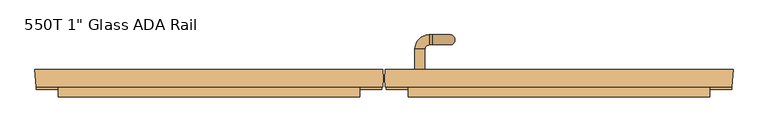
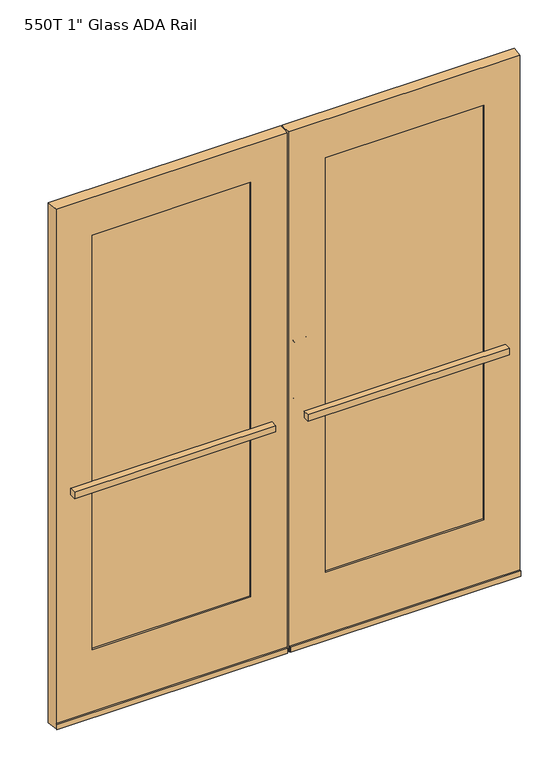
"""IFC4 building model written with IfcOpenShell, lengths in millimetres: door geometry."""

import ifcopenshell
import ifcopenshell.guid

model = None  # the IFC model being written
_history = None  # IfcOwnerHistory: only IFC2X3 demands one
_inside = {}  # id of a spatial element -> (the spatial element, [elements in it])
_under = {}  # id of a project, library or spatial element -> (it, [spatial elements below it])
_declared = {}  # id of a project -> (the project, [libraries it declares])
_typed = {}  # id of a type object -> (the type object, [elements of that type])
_made_of = {}  # id of a material, layer set ... -> (it, [elements and type objects made of it])


def new_model(schema):
    """Start an empty IFC model of exactly this schema.

    Asked for "IFC4X3", IfcOpenShell would pick the latest addendum, in which some entities
    have other attributes; the version numbers below select the first issue.
    IFC2X3 requires an IfcOwnerHistory on every rooted entity: one is made here for all.
    """
    global model, _history
    if schema == "IFC4X3":
        model = ifcopenshell.file(schema_version=(4, 3, 0, 0))
    else:
        model = ifcopenshell.file(schema=schema)
    _inside.clear()
    _under.clear()
    _declared.clear()
    _typed.clear()
    _made_of.clear()
    _history = None
    if model.schema == "IFC2X3":
        org = make("IfcOrganization", Name="unknown")
        user = make(
            "IfcPersonAndOrganization",
            ThePerson=make("IfcPerson", FamilyName="unknown"),
            TheOrganization=org,
        )
        app = make(
            "IfcApplication",
            ApplicationDeveloper=org,
            Version="unknown",
            ApplicationFullName="unknown",
            ApplicationIdentifier="unknown",
        )
        _history = make(
            "IfcOwnerHistory",
            OwningUser=user,
            OwningApplication=app,
            ChangeAction="ADDED",
            CreationDate=0,
        )
    return model


def make(cls, **values):
    """One entity of the class cls with the attributes given. An attribute that is None is left unset."""
    return model.create_entity(
        cls, **{name: value for name, value in values.items() if value is not None}
    )


def rooted(cls, **values):
    """An entity with a GlobalId (a new one), such as an element, a storey or a relation."""
    return make(cls, GlobalId=ifcopenshell.guid.new(), OwnerHistory=_history, **values)


def si_unit(unit_type, name, prefix=None):
    """IfcSIUnit, for example si_unit("LENGTHUNIT", "METRE", prefix="MILLI")."""
    return make("IfcSIUnit", UnitType=unit_type, Prefix=prefix, Name=name)


def assignment(units):
    """IfcUnitAssignment: the units of a project."""
    return None if units is None else make("IfcUnitAssignment", Units=units)


def point(xyz):
    """IfcCartesianPoint."""
    return None if xyz is None else make("IfcCartesianPoint", Coordinates=xyz)


def direction(xyz):
    """IfcDirection."""
    return None if xyz is None else make("IfcDirection", DirectionRatios=xyz)


def frame(location, z_axis=None, x_axis=None):
    """IfcAxis2Placement3D, a coordinate frame: its origin and axes. An axis left out is left unset."""
    return make(
        "IfcAxis2Placement3D",
        Location=point(location),
        Axis=direction(z_axis),
        RefDirection=direction(x_axis),
    )


def origin():
    """The frame at (0, 0, 0) with its axes left unset."""
    return frame((0.0, 0.0, 0.0))


def place(relative_to, where):
    """IfcLocalPlacement: puts the frame where relative to a parent placement (None: the world)."""
    return make(
        "IfcLocalPlacement", PlacementRelTo=relative_to, RelativePlacement=where
    )


def context(
    kind, dimensions, precision=None, world=None, true_north=None, identifier=None
):
    """IfcGeometricRepresentationContext, for example the 3D "Model" context."""
    return make(
        "IfcGeometricRepresentationContext",
        ContextIdentifier=identifier,
        ContextType=kind,
        CoordinateSpaceDimension=dimensions,
        Precision=precision,
        WorldCoordinateSystem=world,
        TrueNorth=true_north,
    )


def project(units=None, contexts=None):
    """IfcProject with its units and contexts."""
    return rooted(
        "IfcProject",
        Name="project",
        RepresentationContexts=contexts,
        UnitsInContext=assignment(units),
    )


def spatial(cls, under=None, at=None, **own):
    """A site, building, storey or space (cls), placed at a placement, below another one or the project."""
    s = rooted(cls, ObjectPlacement=at, **own)
    if under is not None:
        _under.setdefault(under.id(), (under, []))[1].append(s)
    return s


def polyline(points):
    """IfcPolyline through the points."""
    return make("IfcPolyline", Points=[point(p) for p in points])


def circle_curve(where, radius):
    """IfcCircle in the frame where."""
    return make("IfcCircle", Position=where, Radius=radius)


def ellipse_curve(where, semi_axis1, semi_axis2):
    """IfcEllipse in the frame where."""
    return make(
        "IfcEllipse", Position=where, SemiAxis1=semi_axis1, SemiAxis2=semi_axis2
    )


def trimmed(basis, trim1, trim2, sense, master):
    """IfcTrimmedCurve: the piece of a basis curve between two trims."""
    return make(
        "IfcTrimmedCurve",
        BasisCurve=basis,
        Trim1=trim1,
        Trim2=trim2,
        SenseAgreement=sense,
        MasterRepresentation=master,
    )


def outline(outer, holes=None, kind="AREA"):
    """IfcArbitraryClosedProfileDef: a profile drawn as a closed curve; with holes, ...WithVoids."""
    if holes is None:
        return make("IfcArbitraryClosedProfileDef", ProfileType=kind, OuterCurve=outer)
    return make(
        "IfcArbitraryProfileDefWithVoids",
        ProfileType=kind,
        OuterCurve=outer,
        InnerCurves=holes,
    )


def extrude(swept, where, along, depth):
    """IfcExtrudedAreaSolid: the profile swept, set in the frame where, extruded along a direction by depth."""
    return make(
        "IfcExtrudedAreaSolid",
        SweptArea=swept,
        Position=where,
        ExtrudedDirection=direction(along),
        Depth=depth,
    )


def shape(context_of_items, identifier, shape_type, items):
    """IfcShapeRepresentation: the items that make up one representation, for example the "Body"."""
    return make(
        "IfcShapeRepresentation",
        ContextOfItems=context_of_items,
        RepresentationIdentifier=identifier,
        RepresentationType=shape_type,
        Items=items,
    )


def source(mapping_origin, context_of_items, identifier, shape_type, items):
    """IfcRepresentationMap: a shape defined once, which mapped items show again and again."""
    return make(
        "IfcRepresentationMap",
        MappingOrigin=mapping_origin,
        MappedRepresentation=shape(context_of_items, identifier, shape_type, items),
    )


def transform(
    local_origin,
    x_axis=None,
    y_axis=None,
    z_axis=None,
    scale=None,
    scale2=None,
    scale3=None,
    uniform=True,
):
    """IfcCartesianTransformationOperator3D, or its non-uniform kind. x_axis, y_axis, z_axis: its Axis1, 2, 3."""
    if uniform:
        return make(
            "IfcCartesianTransformationOperator3D",
            Axis1=direction(x_axis),
            Axis2=direction(y_axis),
            LocalOrigin=point(local_origin),
            Scale=scale,
            Axis3=direction(z_axis),
        )
    return make(
        "IfcCartesianTransformationOperator3DnonUniform",
        Axis1=direction(x_axis),
        Axis2=direction(y_axis),
        LocalOrigin=point(local_origin),
        Scale=scale,
        Axis3=direction(z_axis),
        Scale2=scale2,
        Scale3=scale3,
    )


def mapped(mapping_source, mapping_target):
    """IfcMappedItem: shows the shape of a source again, moved by a transform."""
    return make(
        "IfcMappedItem", MappingSource=mapping_source, MappingTarget=mapping_target
    )


def made_of(thing, what):
    """Note that an element or type object is made of a material, layer set ...; save() writes the relation."""
    if what is not None:
        _made_of.setdefault(what.id(), (what, []))[1].append(thing)
    return thing


def element(
    cls,
    number,
    at=None,
    inside=None,
    cuts=None,
    type_object=None,
    material=None,
    context=None,
    identifier="Body",
    shape_type=None,
    held_by="IfcProductDefinitionShape",
    body=None,
    shapes=None,
    **own,
):
    """One element of the class cls, such as IfcWall. Its Tag is "e" and its number.

    at: its placement. inside: the storey or other place that contains it. cuts: it is an
    opening in that element (IfcRelVoidsElement). A single representation is given by context,
    identifier, shape_type and body (its items); several are given by shapes. held_by: the class
    of the entity that holds the representations. save() writes the other relations.
    """
    e = rooted(cls, Tag="e%d" % number, ObjectPlacement=at, **own)
    if body is not None:
        shapes = [shape(context, identifier, shape_type, body)]
    if shapes is not None:
        e.Representation = make(held_by, Representations=shapes)
    if inside is not None:
        _inside.setdefault(inside.id(), (inside, []))[1].append(e)
    if cuts is not None:
        rooted(
            "IfcRelVoidsElement", RelatingBuildingElement=cuts, RelatedOpeningElement=e
        )
    if type_object is not None:
        _typed.setdefault(type_object.id(), (type_object, []))[1].append(e)
    return made_of(e, material)


def aggregate(whole, parts):
    """IfcRelAggregates: a whole, such as a stair, and the parts it consists of."""
    return rooted("IfcRelAggregates", RelatingObject=whole, RelatedObjects=parts)


def save(model, path):
    """Write the relations noted so far, then the file.

    IfcRelAggregates (storeys below a building ...), IfcRelContainedInSpatialStructure (elements
    in a storey), IfcRelDefinesByType, IfcRelAssociatesMaterial and IfcRelDeclares: one each for
    every whole, place, type object, material and project.
    """
    for whole, parts in _under.values():
        aggregate(whole, parts)
    for where, things in _inside.values():
        rooted(
            "IfcRelContainedInSpatialStructure",
            RelatedElements=things,
            RelatingStructure=where,
        )
    for kind, things in _typed.values():
        rooted("IfcRelDefinesByType", RelatedObjects=things, RelatingType=kind)
    for what, things in _made_of.values():
        rooted("IfcRelAssociatesMaterial", RelatedObjects=things, RelatingMaterial=what)
    for by, libraries in _declared.values():
        rooted("IfcRelDeclares", RelatingContext=by, RelatedDefinitions=libraries)
    model.write(path)


def plane_surface(at):
    """IfcPlane: the flat surface through the origin of the frame at, square to its z axis."""
    return make("IfcPlane", Position=at)


def cylinder_surface(at, radius):
    """IfcCylindricalSurface: all points at the distance radius from the z axis of the frame at."""
    return make("IfcCylindricalSurface", Position=at, Radius=radius)


def revolved_surface(curve, axis_point, axis_direction):
    """IfcSurfaceOfRevolution: the curve turned about the line through axis_point along axis_direction."""
    return make(
        "IfcSurfaceOfRevolution",
        SweptCurve=make("IfcArbitraryOpenProfileDef", ProfileType="CURVE", Curve=curve),
        AxisPosition=make("IfcAxis1Placement", Location=point(axis_point), Axis=direction(axis_direction)),
    )


def advanced_brep(points, edges, surfaces, faces):
    """IfcAdvancedBrep: a solid bounded by faces that lie on surfaces and meet in shared edges.

    An edge is (start, end): straight between two places in points (the first is 0);
    or (start, end, curve); or (start, end, curve, False) where it runs against its curve.
    A face is (place in surfaces, loops), or (place, loops, False) where it looks against
    its surface's normal. A loop lists edges by number (the first is 1), with a minus sign
    where the edge is run from its end to its start. The first loop is the outer one.
    """
    corners = [point(p) for p in points]
    vertices = [make("IfcVertexPoint", VertexGeometry=c) for c in corners]
    made = []
    for start, end, *more in edges:
        made.append(
            make(
                "IfcEdgeCurve",
                EdgeStart=vertices[start],
                EdgeEnd=vertices[end],
                EdgeGeometry=more[0] if more else make("IfcPolyline", Points=[corners[start], corners[end]]),
                SameSense=more[1] if len(more) > 1 else True,
            )
        )
    hull = []
    for where, loops, *sense in faces:
        bounds = []
        for j, loop in enumerate(loops):
            ring = [make("IfcOrientedEdge", EdgeElement=made[abs(k) - 1], Orientation=k > 0) for k in loop]
            bounds.append(
                make(
                    "IfcFaceOuterBound" if j == 0 else "IfcFaceBound",
                    Bound=make("IfcEdgeLoop", EdgeList=ring),
                    Orientation=True,
                )
            )
        hull.append(make("IfcAdvancedFace", Bounds=bounds, FaceSurface=surfaces[where], SameSense=sense[0] if sense else True))
    return make("IfcAdvancedBrep", Outer=make("IfcClosedShell", CfsFaces=hull))


def door_3f67c061(model_context):
    return source(origin(), model_context, "Body", "SolidModel", [
        advanced_brep(
        [(78.6913879, 80.9625, 1181.1), (104.0911472, 80.9625, 1181.1), (78.6913879, 80.9625, 952.5), (104.0911472, 80.9625, 952.5), (78.6913879, 133.2272494, 1181.1), (104.0911472, 133.2272494, 1181.1), (115.3266385, 144.4627407, 1181.1), (115.3266385, 169.8625, 1181.1), (123.1413879, 169.8625, 1181.1), (123.1413879, 144.4627407, 1181.1), (167.5913879, 144.4627407, 1136.65), (167.5913879, 169.8625, 1136.65), (167.5913879, 169.8625, 996.95), (167.5913879, 144.4627407, 996.95), (123.1413879, 144.4627407, 952.5), (123.1413879, 169.8625, 952.5), (115.3266385, 169.8625, 952.5), (115.3266385, 144.4627407, 952.5), (104.0911472, 133.2272494, 952.5), (78.6913879, 133.2272494, 952.5)],
        [
            (0, 1, circle_curve(frame((91.3912676, 80.9625, 1181.1), z_axis=(0.0, -1.0, 0.0), x_axis=(-1.0, 0.0, 0.0)), 12.6998797)),
            (1, 0, circle_curve(frame((91.3912676, 80.9625, 1181.1), z_axis=(0.0, -1.0, 0.0), x_axis=(-1.0, 0.0, 0.0)), 12.6998797)),
            (2, 3, circle_curve(frame((91.3912676, 80.9625, 952.5), z_axis=(0.0, -1.0, 0.0), x_axis=(-1.0, 0.0, 0.0)), 12.6998797)),
            (3, 2, circle_curve(frame((91.3912676, 80.9625, 952.5), z_axis=(0.0, -1.0, 0.0), x_axis=(-1.0, 0.0, 0.0)), 12.6998797)),
            (0, 4),
            (4, 5, circle_curve(frame((91.3912676, 133.2272494, 1181.1), z_axis=(0.0, -1.0, 0.0), x_axis=(-1.0, 0.0, 0.0)), 12.6998797)),
            (5, 1),
            (5, 4, circle_curve(frame((91.3912676, 133.2272494, 1181.1), z_axis=(0.0, -1.0, 0.0), x_axis=(-1.0, 0.0, 0.0)), 12.6998797)),
            (6, 5, circle_curve(frame((115.3266385, 133.2272494, 1181.1), z_axis=(0.0, 0.0, 1.0), x_axis=(-1.0, 0.0, 0.0)), 11.2354913)),
            (4, 7, circle_curve(frame((115.3266385, 133.2272494, 1181.1), z_axis=(0.0, 0.0, -1.0), x_axis=(-1.0, 0.0, 0.0)), 36.6352506)),
            (7, 6, circle_curve(frame((115.3266385, 157.1626203, 1181.1), z_axis=(-1.0, 0.0, 0.0), x_axis=(0.0, 1.0, 0.0)), 12.6998797)),
            (6, 7, circle_curve(frame((115.3266385, 157.1626203, 1181.1), z_axis=(-1.0, 0.0, 0.0), x_axis=(0.0, 1.0, 0.0)), 12.6998797)),
            (7, 8),
            (8, 9, circle_curve(frame((123.1413879, 157.1626203, 1181.1), z_axis=(-1.0, 0.0, 0.0), x_axis=(0.0, 1.0, 0.0)), 12.6998797)),
            (9, 6),
            (9, 8, circle_curve(frame((123.1413879, 157.1626203, 1181.1), z_axis=(-1.0, 0.0, 0.0), x_axis=(0.0, 1.0, 0.0)), 12.6998797)),
            (10, 9, circle_curve(frame((123.1413879, 144.4627407, 1136.65), z_axis=(0.0, -1.0, 0.0), x_axis=(0.0, 0.0, 1.0)), 44.45)),
            (8, 11, circle_curve(frame((123.1413879, 169.8625, 1136.65), z_axis=(0.0, 1.0, 0.0), x_axis=(0.0, 0.0, 1.0)), 44.45)),
            (11, 10, circle_curve(frame((167.5913879, 157.1626203, 1136.65), z_axis=(0.0, 0.0, 1.0), x_axis=(0.0, 1.0, 0.0)), 12.6998797)),
            (10, 11, circle_curve(frame((167.5913879, 157.1626203, 1136.65), z_axis=(0.0, 0.0, 1.0), x_axis=(0.0, 1.0, 0.0)), 12.6998797)),
            (11, 12),
            (12, 13, circle_curve(frame((167.5913879, 157.1626203, 996.95), z_axis=(0.0, 0.0, 1.0), x_axis=(0.0, 1.0, 0.0)), 12.6998797)),
            (13, 10),
            (13, 12, circle_curve(frame((167.5913879, 157.1626203, 996.95), z_axis=(0.0, 0.0, 1.0), x_axis=(0.0, 1.0, 0.0)), 12.6998797)),
            (14, 13, circle_curve(frame((123.1413879, 144.4627407, 996.95), z_axis=(0.0, -1.0, 0.0), x_axis=(1.0, 0.0, 0.0)), 44.45)),
            (12, 15, circle_curve(frame((123.1413879, 169.8625, 996.95), z_axis=(0.0, 1.0, 0.0), x_axis=(1.0, 0.0, 0.0)), 44.45)),
            (15, 14, circle_curve(frame((123.1413879, 157.1626203, 952.5), z_axis=(1.0, 0.0, 0.0), x_axis=(0.0, 1.0, 0.0)), 12.6998797)),
            (14, 15, circle_curve(frame((123.1413879, 157.1626203, 952.5), z_axis=(1.0, 0.0, 0.0), x_axis=(0.0, 1.0, 0.0)), 12.6998797)),
            (15, 16),
            (16, 17, circle_curve(frame((115.3266385, 157.1626203, 952.5), z_axis=(1.0, 0.0, 0.0), x_axis=(0.0, 1.0, 0.0)), 12.6998797)),
            (17, 14),
            (17, 16, circle_curve(frame((115.3266385, 157.1626203, 952.5), z_axis=(1.0, 0.0, 0.0), x_axis=(0.0, 1.0, 0.0)), 12.6998797)),
            (18, 17, circle_curve(frame((115.3266385, 133.2272494, 952.5), z_axis=(0.0, 0.0, -1.0), x_axis=(0.0, 1.0, 0.0)), 11.2354913)),
            (16, 19, circle_curve(frame((115.3266385, 133.2272494, 952.5), z_axis=(0.0, 0.0, 1.0), x_axis=(0.0, 1.0, 0.0)), 36.6352506)),
            (19, 18, circle_curve(frame((91.3912676, 133.2272494, 952.5), z_axis=(0.0, 1.0, 0.0), x_axis=(-1.0, 0.0, 0.0)), 12.6998797)),
            (18, 19, circle_curve(frame((91.3912676, 133.2272494, 952.5), z_axis=(0.0, 1.0, 0.0), x_axis=(-1.0, 0.0, 0.0)), 12.6998797)),
            (19, 2),
            (3, 18),
        ],
        [
            plane_surface(frame((78.6913879, 80.9625, 1181.1), z_axis=(0.0, -1.0, 0.0), x_axis=(0.0, 0.0, 1.0))),
            plane_surface(frame((78.6913879, 80.9625, 952.5), z_axis=(0.0, -1.0, 0.0), x_axis=(0.0, 0.0, -1.0))),
            cylinder_surface(frame((91.3912676, 80.9625, 1181.1), z_axis=(0.0, -1.0, 0.0), x_axis=(-1.0, 0.0, 0.0)), 12.6998797),
            revolved_surface(trimmed(ellipse_curve(frame((91.3912676, 133.2272494, 1181.1), z_axis=(0.0, -1.0, 0.0), x_axis=(-1.0, 0.0, 0.0)), 12.6998797, 12.6998797), [point((78.6913879, 133.2272494, 1181.1))], [point((104.0911472, 133.2272494, 1181.1))], True, "CARTESIAN"), (115.3266385, 133.2272494, 1181.1), (0.0, 0.0, -1.0)),
            revolved_surface(trimmed(ellipse_curve(frame((91.3912676, 133.2272494, 1181.1), z_axis=(0.0, -1.0, 0.0), x_axis=(-1.0, 0.0, 0.0)), 12.6998797, 12.6998797), [point((104.0911472, 133.2272494, 1181.1))], [point((78.6913879, 133.2272494, 1181.1))], True, "CARTESIAN"), (115.3266385, 133.2272494, 1181.1), (0.0, 0.0, -1.0)),
            cylinder_surface(frame((115.3266385, 157.1626203, 1181.1), z_axis=(-1.0, 0.0, 0.0), x_axis=(0.0, 1.0, 0.0)), 12.6998797),
            revolved_surface(trimmed(ellipse_curve(frame((123.1413879, 157.1626203, 1181.1), z_axis=(-1.0, 0.0, 0.0), x_axis=(0.0, 1.0, 0.0)), 12.6998797, 12.6998797), [point((123.1413879, 169.8625, 1181.1))], [point((123.1413879, 144.4627407, 1181.1))], True, "CARTESIAN"), (123.1413879, 157.1625, 1136.65), (0.0, 1.0, 0.0)),
            revolved_surface(trimmed(ellipse_curve(frame((123.1413879, 157.1626203, 1181.1), z_axis=(-1.0, 0.0, 0.0), x_axis=(0.0, 1.0, 0.0)), 12.6998797, 12.6998797), [point((123.1413879, 144.4627407, 1181.1))], [point((123.1413879, 169.8625, 1181.1))], True, "CARTESIAN"), (123.1413879, 157.1625, 1136.65), (0.0, 1.0, 0.0)),
            cylinder_surface(frame((167.5913879, 157.1626203, 1136.65), z_axis=(0.0, 0.0, 1.0), x_axis=(0.0, 1.0, 0.0)), 12.6998797),
            revolved_surface(trimmed(ellipse_curve(frame((167.5913879, 157.1626203, 996.95), z_axis=(0.0, 0.0, 1.0), x_axis=(0.0, 1.0, 0.0)), 12.6998797, 12.6998797), [point((167.5913879, 169.8625, 996.95))], [point((167.5913879, 144.4627407, 996.95))], True, "CARTESIAN"), (123.1413879, 157.1625, 996.95), (0.0, 1.0, 0.0)),
            revolved_surface(trimmed(ellipse_curve(frame((167.5913879, 157.1626203, 996.95), z_axis=(0.0, 0.0, 1.0), x_axis=(0.0, 1.0, 0.0)), 12.6998797, 12.6998797), [point((167.5913879, 144.4627407, 996.95))], [point((167.5913879, 169.8625, 996.95))], True, "CARTESIAN"), (123.1413879, 157.1625, 996.95), (0.0, 1.0, 0.0)),
            cylinder_surface(frame((123.1413879, 157.1626203, 952.5), z_axis=(1.0, 0.0, 0.0), x_axis=(0.0, 1.0, 0.0)), 12.6998797),
            revolved_surface(trimmed(ellipse_curve(frame((115.3266385, 157.1626203, 952.5), z_axis=(1.0, 0.0, 0.0), x_axis=(0.0, 1.0, 0.0)), 12.6998797, 12.6998797), [point((115.3266385, 169.8625, 952.5))], [point((115.3266385, 144.4627407, 952.5))], True, "CARTESIAN"), (115.3266385, 133.2272494, 952.5), (0.0, 0.0, 1.0)),
            revolved_surface(trimmed(ellipse_curve(frame((115.3266385, 157.1626203, 952.5), z_axis=(1.0, 0.0, 0.0), x_axis=(0.0, 1.0, 0.0)), 12.6998797, 12.6998797), [point((115.3266385, 144.4627407, 952.5))], [point((115.3266385, 169.8625, 952.5))], True, "CARTESIAN"), (115.3266385, 133.2272494, 952.5), (0.0, 0.0, 1.0)),
            cylinder_surface(frame((91.3912676, 133.2272494, 952.5), z_axis=(0.0, 1.0, 0.0), x_axis=(-1.0, 0.0, 0.0)), 12.6998797),
        ],
        [
            (0, [[1, 2]]),
            (1, [[3, 4]]),
            (2, [[-1, 5, 6, 7]]),
            (2, [[-2, -7, 8, -5]]),
            (3, [[9, -6, 10, 11]]),
            (4, [[-10, -8, -9, 12]]),
            (5, [[-11, 13, 14, 15]]),
            (5, [[-12, -15, 16, -13]]),
            (6, [[17, -14, 18, 19]]),
            (7, [[-18, -16, -17, 20]]),
            (8, [[-19, 21, 22, 23]]),
            (8, [[-20, -23, 24, -21]]),
            (9, [[25, -22, 26, 27]]),
            (10, [[-26, -24, -25, 28]]),
            (11, [[-27, 29, 30, 31]]),
            (11, [[-28, -31, 32, -29]]),
            (12, [[33, -30, 34, 35]]),
            (13, [[-34, -32, -33, 36]]),
            (14, [[-35, 37, -4, 38]]),
            (14, [[-36, -38, -3, -37]]),
        ],
    ),
        extrude(outline(polyline([(-129.38125, 69.05625), (-129.38125, 43.65625), (-758.825, 43.65625), (-758.825, 69.05625), (-129.38125, 69.05625)])), frame((0.0, 0.0, 276.225), z_axis=(0.0, 0.0, 1.0), x_axis=(1.0, 0.0, 0.0)), (0.0, 0.0, 1.0), 1689.1),
        extrude(outline(polyline([(129.38125, 69.05625), (758.825, 69.05625), (758.825, 43.65625), (129.38125, 43.65625), (129.38125, 69.05625)])), frame((0.0, 0.0, 276.225), z_axis=(0.0, 0.0, 1.0), x_axis=(1.0, 0.0, 0.0)), (0.0, 0.0, 1.0), 1689.1),
        extrude(outline(polyline([(61.515625, 11.1125), (61.515625, 36.5125), (827.0875, 36.5125), (827.0875, 11.1125), (61.515625, 11.1125)])), frame((0.0, 0.0, 939.8), z_axis=(0.0, 0.0, 1.0), x_axis=(1.0, 0.0, 0.0)), (0.0, 0.0, 1.0), 25.3998797),
        extrude(outline(polyline([(-827.0875, 11.1125), (-827.0875, 36.5125), (-61.515625, 36.5125), (-61.515625, 11.1125), (-827.0875, 11.1125)])), frame((0.0, 0.0, 939.8), z_axis=(0.0, 0.0, 1.0), x_axis=(1.0, 0.0, 0.0)), (0.0, 0.0, 1.0), 25.3998797),
        advanced_brep(
        [(-883.0373512, 36.5125, 2108.2), (-883.0373512, 36.5125, 17.4625), (-3.6613966, 36.5125, 17.4625), (-3.6613966, 36.5125, 2108.2), (-142.08125, 36.5125, 288.925), (-746.125, 36.5125, 288.925), (-746.125, 36.5125, 1955.8), (-142.08125, 36.5125, 1955.8), (-142.08125, 43.65625, 288.925), (-746.125, 43.65625, 288.925), (-142.08125, 43.65625, 281.3049225), (-746.125, 43.65625, 281.3049225), (-746.125, 43.65625, 276.225), (-753.4671875, 43.65625, 276.225), (-753.4671875, 43.65625, 1968.5), (-746.125, 43.65625, 1968.5), (-746.125, 43.65625, 1963.1421875), (-142.08125, 43.65625, 1963.1421875), (-142.08125, 43.65625, 1968.5), (-134.7660487, 43.65625, 1968.5), (-134.7660487, 43.65625, 276.225), (-142.08125, 43.65625, 276.225), (-142.08125, 43.65625, 1955.8), (-746.125, 43.65625, 1955.8), (-142.08125, 39.6875, 281.3049225), (-746.125, 39.6875, 281.3049225), (-142.08125, 69.05625, 281.3049225), (-746.125, 69.05625, 281.3049225), (-746.125, 77.7875, 281.3049225), (-142.08125, 77.7875, 281.3049225), (-142.08125, 69.05625, 276.225), (-134.7660487, 69.05625, 276.225), (-134.7660487, 69.05625, 1968.5), (-142.08125, 69.05625, 1968.5), (-142.08125, 69.05625, 1963.1421875), (-746.125, 69.05625, 1963.1421875), (-746.125, 69.05625, 1968.5), (-753.4671875, 69.05625, 1968.5), (-753.4671875, 69.05625, 276.225), (-746.125, 69.05625, 276.225), (-142.08125, 69.05625, 288.925), (-746.125, 69.05625, 288.925), (-746.125, 69.05625, 1955.8), (-142.08125, 69.05625, 1955.8), (-142.08125, 79.375, 288.925), (-746.125, 79.375, 288.925), (-142.08125, 79.375, 276.225), (-746.125, 79.375, 276.225), (-746.125, 39.6875, 1963.1421875), (-142.08125, 39.6875, 1963.1421875), (-142.08125, 79.375, 1955.8), (-746.125, 79.375, 1955.8), (-746.125, 79.375, 1968.5), (-142.08125, 79.375, 1968.5), (-142.08125, 77.7875, 1963.1421875), (-746.125, 77.7875, 1963.1421875), (-142.08125, 39.6875, 276.225), (-746.125, 39.6875, 276.225), (-746.125, 77.7875, 276.225), (-142.08125, 77.7875, 276.225), (-142.08125, 77.7875, 1968.5), (-746.125, 77.7875, 1968.5), (-746.125, 39.6875, 1968.5), (-142.08125, 39.6875, 1968.5), (-886.61875, 80.9625, 2108.2), (-3.6613966, 80.9625, 2108.2), (-886.61875, 80.9625, 17.4625), (-3.6613966, 80.9625, 17.4625), (-765.175, 39.6875, 276.225), (-765.175, 79.375, 276.225), (-765.175, 79.375, 1968.5), (-765.175, 39.6875, 1968.5), (-746.125, 80.9625, 1968.5), (-746.125, 80.9625, 276.225), (-142.08125, 80.9625, 276.225), (-142.08125, 80.9625, 1968.5), (-123.03125, 79.375, 276.225), (-123.03125, 39.6875, 276.225), (-123.03125, 39.6875, 1968.5), (-123.03125, 79.375, 1968.5), (-134.7660487, 39.6875, 276.225), (-134.7660487, 79.375, 276.225), (-753.4671875, 79.375, 276.225), (-753.4671875, 39.6875, 276.225), (-134.7660487, 79.375, 1968.5), (-134.7660487, 39.6875, 1968.5), (-753.4671875, 39.6875, 1968.5), (-753.4671875, 79.375, 1968.5)],
        [
            (0, 1),
            (1, 2),
            (2, 3),
            (3, 0),
            (4, 5),
            (5, 6),
            (6, 7),
            (7, 4),
            (4, 8),
            (8, 9),
            (9, 5),
            (10, 11),
            (11, 12),
            (12, 13),
            (13, 14),
            (14, 15),
            (15, 16),
            (16, 17),
            (17, 18),
            (18, 19),
            (19, 20),
            (20, 21),
            (21, 10),
            (8, 22),
            (22, 23),
            (23, 9),
            (10, 24),
            (24, 25),
            (25, 11),
            (26, 27),
            (27, 28),
            (28, 29),
            (29, 26),
            (26, 30),
            (30, 31),
            (31, 32),
            (32, 33),
            (33, 34),
            (34, 35),
            (35, 36),
            (36, 37),
            (37, 38),
            (38, 39),
            (39, 27),
            (40, 41),
            (41, 42),
            (42, 43),
            (43, 40),
            (40, 44),
            (44, 45),
            (45, 41),
            (44, 46),
            (46, 47),
            (47, 45),
            (16, 48),
            (48, 49),
            (49, 17),
            (22, 7),
            (6, 23),
            (50, 51),
            (51, 52),
            (52, 53),
            (53, 50),
            (50, 43),
            (42, 51),
            (34, 54),
            (54, 55),
            (55, 35),
            (24, 56),
            (56, 57),
            (57, 25),
            (28, 58),
            (58, 59),
            (59, 29),
            (54, 60),
            (60, 61),
            (61, 55),
            (48, 62),
            (62, 63),
            (63, 49),
            (64, 0),
            (3, 65, circle_curve(frame((-143.8410415, 58.7375, 2108.2), z_axis=(0.0, 0.0, 1.0), x_axis=(1.0, 0.0, 0.0)), 141.9305587)),
            (65, 64),
            (1, 66),
            (66, 67),
            (67, 2, circle_curve(frame((-143.8410415, 58.7375, 17.4625), z_axis=(0.0, 0.0, -1.0), x_axis=(1.0, 0.0, 0.0)), 141.9305587)),
            (64, 66),
            (68, 69),
            (69, 70),
            (70, 71),
            (71, 68),
            (65, 67),
            (72, 73),
            (73, 74),
            (74, 75),
            (75, 72),
            (76, 77),
            (77, 78),
            (78, 79),
            (79, 76),
            (46, 74),
            (73, 47),
            (56, 21),
            (20, 80),
            (80, 77),
            (76, 81),
            (81, 31),
            (30, 59),
            (58, 39),
            (38, 82),
            (82, 69),
            (68, 83),
            (83, 13),
            (12, 57),
            (52, 72),
            (75, 53),
            (60, 33),
            (32, 84),
            (84, 79),
            (78, 85),
            (85, 19),
            (18, 63),
            (62, 15),
            (14, 86),
            (86, 71),
            (70, 87),
            (87, 37),
            (36, 61),
            (82, 87),
            (84, 81),
            (86, 83),
            (80, 85),
        ],
        [
            plane_surface(frame((-142.08125, 36.5125, 288.925), z_axis=(0.0, -1.0, 0.0), x_axis=(-1.0, 0.0, 0.0))),
            plane_surface(frame((-142.08125, 43.65625, 288.925), z_axis=(0.0, 0.0, 1.0), x_axis=(-1.0, 0.0, 0.0))),
            plane_surface(frame((-142.08125, 43.65625, 281.3049225), z_axis=(0.0, 1.0, 0.0), x_axis=(-1.0, 0.0, 0.0))),
            plane_surface(frame((-142.08125, 36.5125, 281.3049225), z_axis=(0.0, 0.0, -1.0), x_axis=(-1.0, 0.0, 0.0))),
            plane_surface(frame((-142.08125, 69.05625, 281.3049225), z_axis=(0.0, 0.0, -1.0), x_axis=(-1.0, 0.0, 0.0))),
            plane_surface(frame((-142.08125, 69.05625, 288.925), z_axis=(0.0, -1.0, 0.0), x_axis=(-1.0, 0.0, 0.0))),
            plane_surface(frame((-142.08125, 79.375, 288.925), z_axis=(0.0, 0.0, 1.0), x_axis=(-1.0, 0.0, 0.0))),
            plane_surface(frame((-142.08125, 79.375, 281.3049225), z_axis=(0.0, 1.0, 0.0), x_axis=(-1.0, 0.0, 0.0))),
            plane_surface(frame((-142.08125, 43.65625, 1963.1421875), z_axis=(0.0, 0.0, 1.0), x_axis=(-1.0, 0.0, 0.0))),
            plane_surface(frame((-142.08125, 36.5125, 1955.8), z_axis=(0.0, 0.0, -1.0), x_axis=(-1.0, 0.0, 0.0))),
            plane_surface(frame((-142.08125, 79.375, 1955.8), z_axis=(0.0, 1.0, 0.0), x_axis=(-1.0, 0.0, 0.0))),
            plane_surface(frame((-142.08125, 69.05625, 1955.8), z_axis=(0.0, 0.0, -1.0), x_axis=(-1.0, 0.0, 0.0))),
            plane_surface(frame((-142.08125, 79.375, 1963.1421875), z_axis=(0.0, 0.0, 1.0), x_axis=(-1.0, 0.0, 0.0))),
            plane_surface(frame((-746.125, 39.6875, 281.3049225), z_axis=(0.0, 1.0, 0.0), x_axis=(1.0, 0.0, 0.0))),
            plane_surface(frame((-746.125, 77.7875, 276.225), z_axis=(0.0, -1.0, 0.0), x_axis=(1.0, 0.0, 0.0))),
            plane_surface(frame((-746.125, 77.7875, 1963.1421875), z_axis=(0.0, -1.0, 0.0), x_axis=(1.0, 0.0, 0.0))),
            plane_surface(frame((-746.125, 39.6875, 1968.5), z_axis=(0.0, 1.0, 0.0), x_axis=(1.0, 0.0, 0.0))),
            plane_surface(frame((285.7716002, 58.7375, 2108.2), z_axis=(0.0, 0.0, 1.0), x_axis=(0.0, 1.0, 0.0))),
            plane_surface(frame((285.7716002, 58.7375, 17.4625), z_axis=(0.0, 0.0, -1.0), x_axis=(0.0, -1.0, 0.0))),
            plane_surface(frame((-886.61875, 80.9625, 2108.2), z_axis=(-0.996769843104394, -0.08031114416842731, 0.0), x_axis=(0.0, 0.0, -1.0))),
            plane_surface(frame((-765.175, 36.5125, 2108.2), z_axis=(1.0, 0.0, 0.0), x_axis=(0.0, 0.0, -1.0))),
            plane_surface(frame((-765.175, 80.9625, 2108.2), z_axis=(0.0, 1.0, 0.0), x_axis=(0.0, 0.0, -1.0))),
            plane_surface(frame((-123.03125, 80.9625, 2108.2), z_axis=(-1.0, 0.0, 0.0), x_axis=(0.0, 0.0, -1.0))),
            cylinder_surface(frame((-143.8410415, 58.7375, 0.0), z_axis=(0.0, 0.0, 1.0), x_axis=(1.0, 0.0, 0.0)), 141.9305587),
            plane_surface(frame((-765.175, 36.5125, 276.225), z_axis=(0.0, 0.0, 1.0), x_axis=(1.0, 0.0, 0.0))),
            plane_surface(frame((-765.175, 80.9625, 1968.5), z_axis=(0.0, 0.0, -1.0), x_axis=(1.0, 0.0, 0.0))),
            plane_surface(frame((-765.175, 79.375, 1968.5), z_axis=(0.0, -1.0, 0.0), x_axis=(0.0, 0.0, -1.0))),
            plane_surface(frame((-134.7660487, 79.375, 1968.5), z_axis=(0.0, -1.0, 0.0), x_axis=(0.0, 0.0, -1.0))),
            plane_surface(frame((-753.4671875, 39.6875, 1968.5), z_axis=(0.0, 1.0, 0.0), x_axis=(0.0, 0.0, -1.0))),
            plane_surface(frame((-123.03125, 39.6875, 1968.5), z_axis=(0.0, 1.0, 0.0), x_axis=(0.0, 0.0, -1.0))),
            plane_surface(frame((-746.125, 36.5125, 1968.5), z_axis=(1.0, 0.0, 0.0), x_axis=(0.0, 0.0, -1.0))),
            plane_surface(frame((-753.4671875, 43.65625, 1968.5), z_axis=(-1.0, 0.0, 0.0), x_axis=(0.0, 0.0, -1.0))),
            plane_surface(frame((-746.125, 69.05625, 1968.5), z_axis=(1.0, 0.0, 0.0), x_axis=(0.0, 0.0, -1.0))),
            plane_surface(frame((-753.4671875, 80.9625, 1968.5), z_axis=(-1.0, 0.0, 0.0), x_axis=(0.0, 0.0, -1.0))),
            plane_surface(frame((-134.7660487, 36.5125, 1968.5), z_axis=(1.0, 0.0, 0.0), x_axis=(0.0, 0.0, -1.0))),
            plane_surface(frame((-142.08125, 43.65625, 1968.5), z_axis=(-1.0, 0.0, 0.0), x_axis=(0.0, 0.0, -1.0))),
            plane_surface(frame((-134.7660487, 69.05625, 1968.5), z_axis=(1.0, 0.0, 0.0), x_axis=(0.0, 0.0, -1.0))),
            plane_surface(frame((-142.08125, 80.9625, 1968.5), z_axis=(-1.0, 0.0, 0.0), x_axis=(0.0, 0.0, -1.0))),
        ],
        [
            (0, [[1, 2, 3, 4], [5, 6, 7, 8]]),
            (1, [[-5, 9, 10, 11]]),
            (2, [[12, 13, 14, 15, 16, 17, 18, 19, 20, 21, 22, 23], [-10, 24, 25, 26]]),
            (3, [[-12, 27, 28, 29]]),
            (4, [[30, 31, 32, 33]]),
            (5, [[-30, 34, 35, 36, 37, 38, 39, 40, 41, 42, 43, 44], [45, 46, 47, 48]]),
            (6, [[-45, 49, 50, 51]]),
            (7, [[-50, 52, 53, 54]]),
            (8, [[-18, 55, 56, 57]]),
            (9, [[-25, 58, -7, 59]]),
            (10, [[60, 61, 62, 63]]),
            (11, [[-60, 64, -47, 65]]),
            (12, [[-39, 66, 67, 68]]),
            (13, [[-28, 69, 70, 71]]),
            (14, [[-32, 72, 73, 74]]),
            (15, [[-67, 75, 76, 77]]),
            (16, [[-56, 78, 79, 80]]),
            (17, [[81, -4, 82, 83]]),
            (18, [[84, 85, 86, -2]]),
            (19, [[-81, 87, -84, -1]]),
            (20, [[88, 89, 90, 91]]),
            (21, [[-87, -83, 92, -85], [93, 94, 95, 96]]),
            (22, [[97, 98, 99, 100]]),
            (23, [[-82, -3, -86, -92]]),
            (24, [[-53, 101, -94, 102]]),
            (24, [[-70, 103, -22, 104, 105, -97, 106, 107, -35, 108, -73, 109, -43, 110, 111, -88, 112, 113, -14, 114]]),
            (25, [[-62, 115, -96, 116]]),
            (25, [[-76, 117, -37, 118, 119, -99, 120, 121, -20, 122, -79, 123, -16, 124, 125, -90, 126, 127, -41, 128]]),
            (26, [[-89, -111, 129, -126]]),
            (27, [[-100, -119, 130, -106]]),
            (28, [[-91, -125, 131, -112]]),
            (29, [[-98, -105, 132, -120]]),
            (30, [[-26, -59, -6, -11]]),
            (30, [[-13, -29, -71, -114]]),
            (30, [[-17, -123, -78, -55]]),
            (31, [[-15, -113, -131, -124]]),
            (32, [[-40, -68, -77, -128]]),
            (32, [[-44, -109, -72, -31]]),
            (32, [[-93, -115, -61, -65, -46, -51, -54, -102]]),
            (33, [[-42, -127, -129, -110]]),
            (34, [[-21, -121, -132, -104]]),
            (35, [[-24, -9, -8, -58]]),
            (35, [[-19, -57, -80, -122]]),
            (35, [[-23, -103, -69, -27]]),
            (36, [[-36, -107, -130, -118]]),
            (37, [[-34, -33, -74, -108]]),
            (37, [[-38, -117, -75, -66]]),
            (37, [[-95, -101, -52, -49, -48, -64, -63, -116]]),
        ],
    ),
        advanced_brep(
        [(883.0373512, 36.5125, 2108.2), (886.61875, 80.9625, 2108.2), (3.6613966, 80.9625, 2108.2), (3.6613966, 36.5125, 2108.2), (3.6613966, 36.5125, 17.4625), (3.6613966, 80.9625, 17.4625), (886.61875, 80.9625, 17.4625), (883.0373512, 36.5125, 17.4625), (746.125, 36.5125, 288.925), (142.08125, 36.5125, 288.925), (142.08125, 36.5125, 1955.8), (746.125, 36.5125, 1955.8), (123.03125, 79.375, 276.225), (123.03125, 79.375, 1968.5), (123.03125, 39.6875, 1968.5), (123.03125, 39.6875, 276.225), (746.125, 80.9625, 276.225), (746.125, 80.9625, 1968.5), (142.08125, 80.9625, 1968.5), (142.08125, 80.9625, 276.225), (765.175, 79.375, 1968.5), (765.175, 79.375, 276.225), (765.175, 39.6875, 276.225), (765.175, 39.6875, 1968.5), (753.4671875, 79.375, 1968.5), (753.4671875, 79.375, 276.225), (134.7390625, 79.375, 276.225), (134.7390625, 79.375, 1968.5), (134.7390625, 39.6875, 1968.5), (134.7390625, 39.6875, 276.225), (753.4671875, 39.6875, 276.225), (753.4671875, 39.6875, 1968.5), (746.125, 43.65625, 288.925), (142.08125, 43.65625, 288.925), (746.125, 43.65625, 281.3049225), (142.08125, 43.65625, 281.3049225), (142.08125, 43.65625, 276.225), (134.7390625, 43.65625, 276.225), (134.7390625, 43.65625, 1968.5), (142.08125, 43.65625, 1968.5), (142.08125, 43.65625, 1963.1421875), (746.125, 43.65625, 1963.1421875), (746.125, 43.65625, 1968.5), (753.4671875, 43.65625, 1968.5), (753.4671875, 43.65625, 276.225), (746.125, 43.65625, 276.225), (746.125, 43.65625, 1955.8), (142.08125, 43.65625, 1955.8), (746.125, 69.05625, 281.3049225), (142.08125, 69.05625, 281.3049225), (142.08125, 77.7875, 281.3049225), (746.125, 77.7875, 281.3049225), (746.125, 69.05625, 276.225), (753.4671875, 69.05625, 276.225), (753.4671875, 69.05625, 1968.5), (746.125, 69.05625, 1968.5), (746.125, 69.05625, 1963.1421875), (142.08125, 69.05625, 1963.1421875), (142.08125, 69.05625, 1968.5), (134.7390625, 69.05625, 1968.5), (134.7390625, 69.05625, 276.225), (142.08125, 69.05625, 276.225), (746.125, 69.05625, 288.925), (142.08125, 69.05625, 288.925), (142.08125, 69.05625, 1955.8), (746.125, 69.05625, 1955.8), (746.125, 79.375, 288.925), (142.08125, 79.375, 288.925), (746.125, 79.375, 276.225), (142.08125, 79.375, 276.225), (142.08125, 39.6875, 1963.1421875), (746.125, 39.6875, 1963.1421875), (746.125, 79.375, 1955.8), (142.08125, 79.375, 1955.8), (142.08125, 79.375, 1968.5), (746.125, 79.375, 1968.5), (746.125, 77.7875, 1963.1421875), (142.08125, 77.7875, 1963.1421875), (746.125, 39.6875, 281.3049225), (142.08125, 39.6875, 281.3049225), (142.08125, 39.6875, 276.225), (746.125, 39.6875, 276.225), (746.125, 77.7875, 276.225), (142.08125, 77.7875, 276.225), (142.08125, 77.7875, 1968.5), (746.125, 77.7875, 1968.5), (746.125, 39.6875, 1968.5), (142.08125, 39.6875, 1968.5)],
        [
            (0, 1),
            (1, 2),
            (2, 3, circle_curve(frame((143.8410415, 58.7375, 2108.2), z_axis=(0.0, 0.0, 1.0), x_axis=(1.0, 0.0, 0.0)), 141.9305587)),
            (3, 0),
            (4, 5, circle_curve(frame((143.8410415, 58.7375, 17.4625), z_axis=(0.0, 0.0, -1.0), x_axis=(1.0, 0.0, 0.0)), 141.9305587)),
            (5, 6),
            (6, 7),
            (7, 4),
            (3, 4),
            (7, 0),
            (8, 9),
            (9, 10),
            (10, 11),
            (11, 8),
            (12, 13),
            (13, 14),
            (14, 15),
            (15, 12),
            (5, 2),
            (1, 6),
            (16, 17),
            (17, 18),
            (18, 19),
            (19, 16),
            (20, 21),
            (21, 22),
            (22, 23),
            (23, 20),
            (20, 24),
            (24, 25),
            (25, 21),
            (12, 26),
            (26, 27),
            (27, 13),
            (14, 28),
            (28, 29),
            (29, 15),
            (22, 30),
            (30, 31),
            (31, 23),
            (8, 32),
            (32, 33),
            (33, 9),
            (34, 35),
            (35, 36),
            (36, 37),
            (37, 38),
            (38, 39),
            (39, 40),
            (40, 41),
            (41, 42),
            (42, 43),
            (43, 44),
            (44, 45),
            (45, 34),
            (32, 46),
            (46, 47),
            (47, 33),
            (48, 49),
            (49, 50),
            (50, 51),
            (51, 48),
            (48, 52),
            (52, 53),
            (53, 54),
            (54, 55),
            (55, 56),
            (56, 57),
            (57, 58),
            (58, 59),
            (59, 60),
            (60, 61),
            (61, 49),
            (62, 63),
            (63, 64),
            (64, 65),
            (65, 62),
            (62, 66),
            (66, 67),
            (67, 63),
            (66, 68),
            (68, 69),
            (69, 67),
            (40, 70),
            (70, 71),
            (71, 41),
            (46, 11),
            (10, 47),
            (72, 73),
            (73, 74),
            (74, 75),
            (75, 72),
            (72, 65),
            (64, 73),
            (56, 76),
            (76, 77),
            (77, 57),
            (34, 78),
            (78, 79),
            (79, 35),
            (29, 37),
            (36, 80),
            (80, 81),
            (81, 45),
            (44, 30),
            (25, 53),
            (52, 82),
            (82, 83),
            (83, 61),
            (60, 26),
            (19, 69),
            (68, 16),
            (27, 59),
            (58, 84),
            (84, 85),
            (85, 55),
            (54, 24),
            (31, 43),
            (42, 86),
            (86, 87),
            (87, 39),
            (38, 28),
            (17, 75),
            (74, 18),
            (78, 81),
            (80, 79),
            (50, 83),
            (82, 51),
            (76, 85),
            (84, 77),
            (70, 87),
            (86, 71),
        ],
        [
            plane_surface(frame((285.7716002, 58.7375, 2108.2), z_axis=(0.0, 0.0, 1.0), x_axis=(0.0, 1.0, 0.0))),
            plane_surface(frame((285.7716002, 58.7375, 17.4625), z_axis=(0.0, 0.0, -1.0), x_axis=(0.0, -1.0, 0.0))),
            plane_surface(frame((3.6613966, 36.5125, 2108.2), z_axis=(0.0, -1.0, 0.0), x_axis=(0.0, 0.0, -1.0))),
            plane_surface(frame((123.03125, 36.5125, 2108.2), z_axis=(1.0, 0.0, 0.0), x_axis=(0.0, 0.0, -1.0))),
            plane_surface(frame((123.03125, 80.9625, 2108.2), z_axis=(0.0, 1.0, 0.0), x_axis=(0.0, 0.0, -1.0))),
            plane_surface(frame((765.175, 80.9625, 2108.2), z_axis=(-1.0, 0.0, 0.0), x_axis=(0.0, 0.0, -1.0))),
            plane_surface(frame((883.0373512, 36.5125, 2108.2), z_axis=(0.9967698431043969, -0.08031114416839112, 0.0), x_axis=(0.0, 0.0, -1.0))),
            plane_surface(frame((753.4671875, 79.375, 1968.5), z_axis=(0.0, -1.0, 0.0), x_axis=(0.0, 0.0, -1.0))),
            plane_surface(frame((123.03125, 79.375, 1968.5), z_axis=(0.0, -1.0, 0.0), x_axis=(0.0, 0.0, -1.0))),
            plane_surface(frame((134.7390625, 39.6875, 1968.5), z_axis=(0.0, 1.0, 0.0), x_axis=(0.0, 0.0, -1.0))),
            plane_surface(frame((765.175, 39.6875, 1968.5), z_axis=(0.0, 1.0, 0.0), x_axis=(0.0, 0.0, -1.0))),
            plane_surface(frame((142.08125, 36.5125, 288.925), z_axis=(0.0, 0.0, 1.0), x_axis=(1.0, 0.0, 0.0))),
            plane_surface(frame((142.08125, 43.65625, 288.925), z_axis=(0.0, 1.0, 0.0), x_axis=(1.0, 0.0, 0.0))),
            plane_surface(frame((142.08125, 79.375, 281.3049225), z_axis=(0.0, 0.0, -1.0), x_axis=(1.0, 0.0, 0.0))),
            plane_surface(frame((142.08125, 69.05625, 281.3049225), z_axis=(0.0, -1.0, 0.0), x_axis=(1.0, 0.0, 0.0))),
            plane_surface(frame((142.08125, 69.05625, 288.925), z_axis=(0.0, 0.0, 1.0), x_axis=(1.0, 0.0, 0.0))),
            plane_surface(frame((142.08125, 79.375, 288.925), z_axis=(0.0, 1.0, 0.0), x_axis=(1.0, 0.0, 0.0))),
            plane_surface(frame((142.08125, 36.5125, 1963.1421875), z_axis=(0.0, 0.0, 1.0), x_axis=(1.0, 0.0, 0.0))),
            plane_surface(frame((142.08125, 43.65625, 1955.8), z_axis=(0.0, 0.0, -1.0), x_axis=(1.0, 0.0, 0.0))),
            plane_surface(frame((142.08125, 79.375, 1963.1421875), z_axis=(0.0, 1.0, 0.0), x_axis=(1.0, 0.0, 0.0))),
            plane_surface(frame((142.08125, 79.375, 1955.8), z_axis=(0.0, 0.0, -1.0), x_axis=(1.0, 0.0, 0.0))),
            plane_surface(frame((142.08125, 69.05625, 1963.1421875), z_axis=(0.0, 0.0, 1.0), x_axis=(1.0, 0.0, 0.0))),
            plane_surface(frame((142.08125, 43.65625, 281.3049225), z_axis=(0.0, 0.0, -1.0), x_axis=(1.0, 0.0, 0.0))),
            plane_surface(frame((765.175, 80.9625, 276.225), z_axis=(0.0, 0.0, 1.0), x_axis=(-1.0, 0.0, 0.0))),
            plane_surface(frame((765.175, 36.5125, 1968.5), z_axis=(0.0, 0.0, -1.0), x_axis=(-1.0, 0.0, 0.0))),
            plane_surface(frame((746.125, 39.6875, 276.225), z_axis=(0.0, 1.0, 0.0), x_axis=(-1.0, 0.0, 0.0))),
            plane_surface(frame((746.125, 77.7875, 281.3049225), z_axis=(0.0, -1.0, 0.0), x_axis=(-1.0, 0.0, 0.0))),
            plane_surface(frame((746.125, 77.7875, 1968.5), z_axis=(0.0, -1.0, 0.0), x_axis=(-1.0, 0.0, 0.0))),
            plane_surface(frame((746.125, 39.6875, 1963.1421875), z_axis=(0.0, 1.0, 0.0), x_axis=(-1.0, 0.0, 0.0))),
            cylinder_surface(frame((143.8410415, 58.7375, 17.4625), z_axis=(0.0, 0.0, 1.0), x_axis=(1.0, 0.0, 0.0)), 141.9305587),
            plane_surface(frame((753.4671875, 36.5125, 1968.5), z_axis=(1.0, 0.0, 0.0), x_axis=(0.0, 0.0, -1.0))),
            plane_surface(frame((746.125, 43.65625, 1968.5), z_axis=(-1.0, 0.0, 0.0), x_axis=(0.0, 0.0, -1.0))),
            plane_surface(frame((753.4671875, 69.05625, 1968.5), z_axis=(1.0, 0.0, 0.0), x_axis=(0.0, 0.0, -1.0))),
            plane_surface(frame((746.125, 80.9625, 1968.5), z_axis=(-1.0, 0.0, 0.0), x_axis=(0.0, 0.0, -1.0))),
            plane_surface(frame((142.08125, 36.5125, 1968.5), z_axis=(1.0, 0.0, 0.0), x_axis=(0.0, 0.0, -1.0))),
            plane_surface(frame((134.7390625, 43.65625, 1968.5), z_axis=(-1.0, 0.0, 0.0), x_axis=(0.0, 0.0, -1.0))),
            plane_surface(frame((142.08125, 69.05625, 1968.5), z_axis=(1.0, 0.0, 0.0), x_axis=(0.0, 0.0, -1.0))),
            plane_surface(frame((134.7390625, 80.9625, 1968.5), z_axis=(-1.0, 0.0, 0.0), x_axis=(0.0, 0.0, -1.0))),
        ],
        [
            (0, [[1, 2, 3, 4]]),
            (1, [[5, 6, 7, 8]]),
            (2, [[9, -8, 10, -4], [11, 12, 13, 14]]),
            (3, [[15, 16, 17, 18]]),
            (4, [[19, -2, 20, -6], [21, 22, 23, 24]]),
            (5, [[25, 26, 27, 28]]),
            (6, [[-1, -10, -7, -20]]),
            (7, [[-25, 29, 30, 31]]),
            (8, [[-15, 32, 33, 34]]),
            (9, [[-17, 35, 36, 37]]),
            (10, [[-27, 38, 39, 40]]),
            (11, [[-11, 41, 42, 43]]),
            (12, [[44, 45, 46, 47, 48, 49, 50, 51, 52, 53, 54, 55], [-42, 56, 57, 58]]),
            (13, [[59, 60, 61, 62]]),
            (14, [[-59, 63, 64, 65, 66, 67, 68, 69, 70, 71, 72, 73], [74, 75, 76, 77]]),
            (15, [[-74, 78, 79, 80]]),
            (16, [[-79, 81, 82, 83]]),
            (17, [[-50, 84, 85, 86]]),
            (18, [[-57, 87, -13, 88]]),
            (19, [[89, 90, 91, 92]]),
            (20, [[-89, 93, -76, 94]]),
            (21, [[-68, 95, 96, 97]]),
            (22, [[-44, 98, 99, 100]]),
            (23, [[-18, -37, 101, -46, 102, 103, 104, -54, 105, -38, -26, -31, 106, -64, 107, 108, 109, -72, 110, -32]]),
            (23, [[-24, 111, -82, 112]]),
            (24, [[-16, -34, 113, -70, 114, 115, 116, -66, 117, -29, -28, -40, 118, -52, 119, 120, 121, -48, 122, -35]]),
            (24, [[-22, 123, -91, 124]]),
            (25, [[-99, 125, -103, 126]]),
            (26, [[-61, 127, -108, 128]]),
            (27, [[-96, 129, -115, 130]]),
            (28, [[-85, 131, -120, 132]]),
            (29, [[-3, -19, -5, -9]]),
            (30, [[-53, -118, -39, -105]]),
            (31, [[-14, -87, -56, -41]]),
            (31, [[-51, -86, -132, -119]]),
            (31, [[-55, -104, -125, -98]]),
            (32, [[-65, -106, -30, -117]]),
            (33, [[-21, -112, -81, -78, -77, -93, -92, -123]]),
            (33, [[-63, -62, -128, -107]]),
            (33, [[-67, -116, -129, -95]]),
            (34, [[-58, -88, -12, -43]]),
            (34, [[-45, -100, -126, -102]]),
            (34, [[-49, -121, -131, -84]]),
            (35, [[-47, -101, -36, -122]]),
            (36, [[-23, -124, -90, -94, -75, -80, -83, -111]]),
            (36, [[-69, -97, -130, -114]]),
            (36, [[-73, -109, -127, -60]]),
            (37, [[-71, -113, -33, -110]]),
        ],
    ),
        extrude(outline(polyline([(30.5562, 17.4625), (30.5562, 38.3005881), (36.5125, 39.7856604), (36.5125, 17.4625), (30.5562, 17.4625)])), frame((5.8322237, 0.0, 0.0), z_axis=(1.0, 0.0, 0.0), x_axis=(0.0, 1.0, 0.0)), (0.0, 0.0, 1.0), 877.2051274),
        extrude(outline(polyline([(30.5562, 17.4625), (30.5562, 38.3005881), (36.5125, 39.7856604), (36.5125, 17.4625), (30.5562, 17.4625)])), frame((-883.0373512, 0.0, 0.0), z_axis=(1.0, 0.0, 0.0), x_axis=(0.0, 1.0, 0.0)), (0.0, 0.0, 1.0), 877.2051274),
    ])


if __name__ == "__main__":
    model = new_model("IFC4")
    model_context = context("Model", 3, world=origin())
    ifc_project = project(units=[si_unit("LENGTHUNIT", "METRE", prefix="MILLI")], contexts=[model_context])
    site = spatial("IfcSite", under=ifc_project)
    building = spatial("IfcBuilding", under=site)
    placement = place(None, origin())
    door_shape = door_3f67c061(model_context)
    element("IfcDoor", 1, ObjectType="550T 1\" Glass ADA Rail", at=placement, inside=building, context=model_context, shape_type="MappedRepresentation", body=[
        mapped(door_shape, transform((0.0, 0.0, 0.0), x_axis=(1.0, 0.0, 0.0), y_axis=(0.0, 1.0, 0.0), z_axis=(0.0, 0.0, 1.0))),
    ])
    save(model, "model.ifc")
